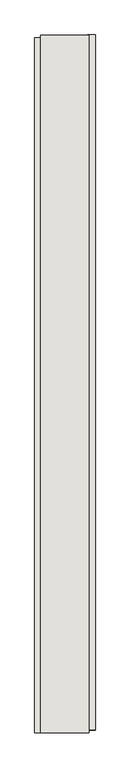
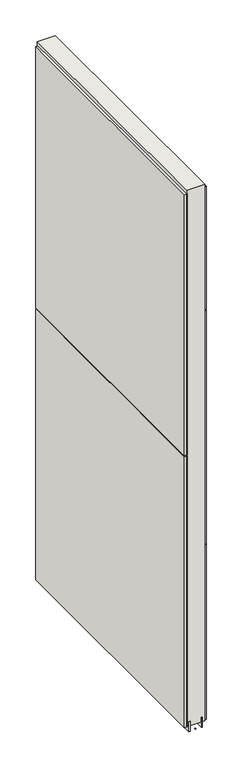
"""IFC4 building model written with IfcOpenShell, lengths in millimetres: wall geometry."""

from ifc_helpers import new_model, si_unit, frame, origin, place, context, project, spatial, polyline, outline, extrude, source, transform, mapped, element, save


def wall_086d7768(model_context):
    return source(origin(), model_context, "Body", "SweptSolid", [
        extrude(outline(polyline([(51668.082211, -54562.5684718), (51668.082211, -54565.1084718), (51665.542211, -54565.1084718), (51665.542211, -54562.5684718), (51668.082211, -54562.5684718)])), frame((0.0, 0.0, 4419.6), z_axis=(0.0, 0.0, 1.0), x_axis=(1.0, 0.0, 0.0)), (0.0, 0.0, 1.0), 2.54),
        extrude(outline(polyline([(51616.012211, -54565.57159), (51616.012211, -53401.171582), (51628.712211, -53401.171582), (51628.712211, -54565.57159), (51616.012211, -54565.57159)])), frame((0.0, 0.0, 5742.4000722), z_axis=(0.0, 0.0, 1.0), x_axis=(1.0, 0.0, 0.0)), (0.0, 0.0, 1.0), 1247.649905),
        extrude(outline(polyline([(51616.012211, -54565.57159), (51616.012211, -53401.171582), (51628.712211, -53401.171582), (51628.712211, -54565.57159), (51616.012211, -54565.57159)])), frame((0.0, 0.0, 4445.0), z_axis=(0.0, 0.0, 1.0), x_axis=(1.0, 0.0, 0.0)), (0.0, 0.0, 1.0), 1293.400004),
        extrude(outline(polyline([(51717.612211, -53396.2478428), (51717.612211, -54560.6478508), (51704.912211, -54560.6478508), (51704.912211, -53396.2478428), (51717.612211, -53396.2478428)])), frame((0.0, 0.0, 6402.8000722), z_axis=(0.0, 0.0, 1.0), x_axis=(1.0, 0.0, 0.0)), (0.0, 0.0, 1.0), 587.2498034),
        extrude(outline(polyline([(51717.612211, -53396.2478428), (51717.612211, -54560.6478508), (51704.912211, -54560.6478508), (51704.912211, -53396.2478428), (51717.612211, -53396.2478428)])), frame((0.0, 0.0, 5285.2000722), z_axis=(0.0, 0.0, 1.0), x_axis=(1.0, 0.0, 0.0)), (0.0, 0.0, 1.0), 1113.5999572),
        extrude(outline(polyline([(51717.612211, -53396.2478428), (51717.612211, -54560.6478508), (51704.912211, -54560.6478508), (51704.912211, -53396.2478428), (51717.612211, -53396.2478428)])), frame((0.0, 0.0, 4445.0), z_axis=(0.0, 0.0, 1.0), x_axis=(1.0, 0.0, 0.0)), (0.0, 0.0, 1.0), 836.200004),
        extrude(outline(polyline([(51641.7315652, -53396.715914), (51641.7315652, -54565.115914), (51636.649711, -54565.115914), (51636.649711, -53396.715914), (51641.7315652, -53396.715914)])), frame((0.0, 0.0, 4418.6602), z_axis=(0.0, 0.0, 1.0), x_axis=(1.0, 0.0, 0.0)), (0.0, 0.0, 1.0), 47.625),
        extrude(outline(polyline([(51641.7315652, -53396.715914), (51641.7315652, -54565.115914), (51636.649711, -54565.115914), (51636.649711, -53396.715914), (51641.7315652, -53396.715914)])), frame((0.0, 0.0, 4418.6602), z_axis=(0.0, 0.0, 1.0), x_axis=(1.0, 0.0, 0.0)), (0.0, 0.0, 1.0), 47.625),
        extrude(outline(polyline([(51691.8959556, -54565.115914), (51691.8959556, -53396.715914), (51696.974711, -53396.715914), (51696.974711, -54565.115914), (51691.8959556, -54565.115914)])), frame((0.0, 0.0, 4418.6602), z_axis=(0.0, 0.0, 1.0), x_axis=(1.0, 0.0, 0.0)), (0.0, 0.0, 1.0), 47.625),
        extrude(outline(polyline([(51691.8959556, -54565.115914), (51691.8959556, -53396.715914), (51696.974711, -53396.715914), (51696.974711, -54565.115914), (51691.8959556, -54565.115914)])), frame((0.0, 0.0, 4418.6602), z_axis=(0.0, 0.0, 1.0), x_axis=(1.0, 0.0, 0.0)), (0.0, 0.0, 1.0), 47.625),
        extrude(outline(polyline([(51626.1604254, -53396.715914), (51707.4391808, -53396.715914), (51707.4391808, -54565.115914), (51626.1604254, -54565.115914), (51626.1604254, -53396.715914)])), frame((0.0, 0.0, 4445.0), z_axis=(0.0, 0.0, 1.0), x_axis=(1.0, 0.0, 0.0)), (0.0, 0.0, 1.0), 2562.4536762),
    ])


if __name__ == "__main__":
    model = new_model("IFC4")
    model_context = context("Model", 3, world=origin())
    ifc_project = project(units=[si_unit("LENGTHUNIT", "METRE", prefix="MILLI")], contexts=[model_context])
    site = spatial("IfcSite", under=ifc_project)
    building = spatial("IfcBuilding", under=site)
    placement = place(None, origin())
    wall_shape = wall_086d7768(model_context)
    element("IfcWall", 1, at=placement, inside=building, context=model_context, shape_type="MappedRepresentation", body=[
        mapped(wall_shape, transform((0.0, 0.0, 0.0), x_axis=(1.0, 0.0, 0.0), y_axis=(0.0, 1.0, 0.0), z_axis=(0.0, 0.0, 1.0))),
    ])
    save(model, "model.ifc")
